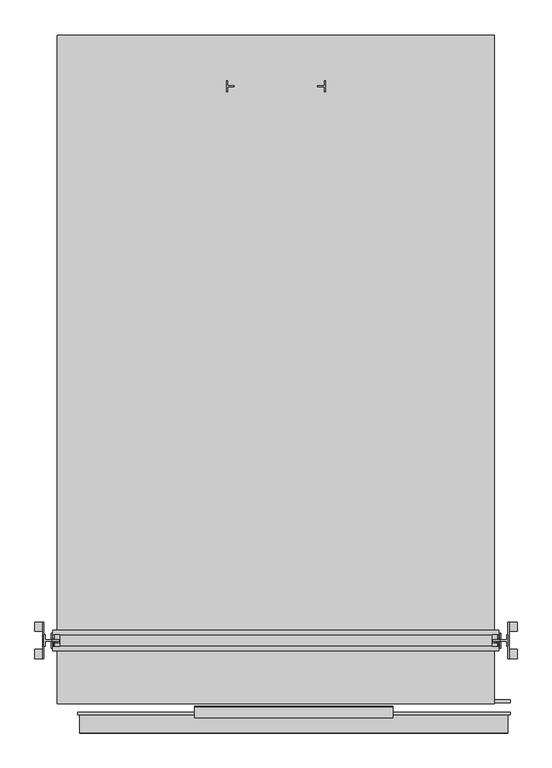
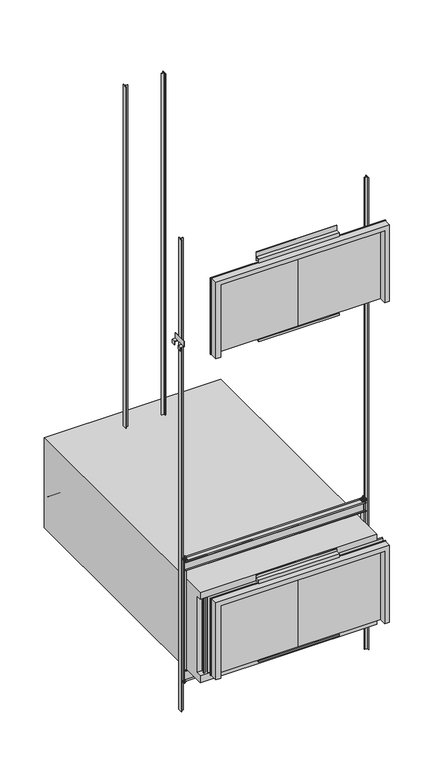
"""IFC4 building model written with IfcOpenShell, lengths in millimetres: proxy geometry."""

from ifc_helpers import new_model, si_unit, point, frame, frame_2d, origin, origin_with_axes, place, context, project, spatial, polyline, circle_curve, trimmed, segment, composite_curve, outline, extrude, faceted_brep, source, transform, mapped, element, save
from ifc_brep_helpers import plane_surface, cylinder_surface, revolved_surface, advanced_brep


def generic_models_171c9d9d(model_context):
    return source(origin(), model_context, "Body", "SolidModel", [
        extrude(outline(polyline([(1765.3, 7440.6125), (1689.1, 7440.6125), (1689.1, 7456.4875), (1765.3, 7456.4875), (1765.3, 7512.05), (1778.0, 7512.05), (1778.0, 7385.05), (1765.3, 7385.05), (1765.3, 7440.6125)])), frame((0.0, 0.0, -1400.0), z_axis=(0.0, 0.0, 1.0), x_axis=(1.0, 0.0, 0.0)), (0.0, 0.0, 1.0), 13896.8),
        extrude(outline(polyline([(673.1, 7456.4875), (749.3, 7456.4875), (749.3, 7440.6125), (673.1, 7440.6125), (673.1, 7385.05), (660.4, 7385.05), (660.4, 7512.05), (673.1, 7512.05), (673.1, 7456.4875)])), frame((0.0, 0.0, -1400.0), z_axis=(0.0, 0.0, 1.0), x_axis=(1.0, 0.0, 0.0)), (0.0, 0.0, 1.0), 13896.8),
        extrude(outline(polyline([(3822.7, 1198.5625), (3746.5, 1198.5625), (3746.5, 1214.4375), (3822.7, 1214.4375), (3822.7, 1270.0), (3835.4, 1270.0), (3835.4, 1143.0), (3822.7, 1143.0), (3822.7, 1198.5625)])), frame((0.0, 0.0, -1400.0), z_axis=(0.0, 0.0, 1.0), x_axis=(1.0, 0.0, 0.0)), (0.0, 0.0, 1.0), 13896.8),
        extrude(outline(polyline([(-1384.3, 1214.4375), (-1308.1, 1214.4375), (-1308.1, 1198.5625), (-1384.3, 1198.5625), (-1384.3, 1143.0), (-1397.0, 1143.0), (-1397.0, 1270.0), (-1384.3, 1270.0), (-1384.3, 1214.4375)])), frame((0.0, 0.0, -1400.0), z_axis=(0.0, 0.0, 1.0), x_axis=(1.0, 0.0, 0.0)), (0.0, 0.0, 1.0), 13896.8),
        extrude(outline(polyline([(9436.1, -1397.0), (9448.8, -1397.0), (9448.8, -1498.6), (9347.2, -1498.6), (9347.2, -1485.9), (9436.1, -1485.9), (9436.1, -1397.0)])), frame((0.0, 1308.1, 0.0), z_axis=(0.0, 1.0, 0.0), x_axis=(0.0, 0.0, 1.0)), (0.0, 0.0, 1.0), 101.6),
        extrude(outline(polyline([(9436.1, -1397.0), (9448.8, -1397.0), (9448.8, -1498.6), (9347.2, -1498.6), (9347.2, -1485.9), (9436.1, -1485.9), (9436.1, -1397.0)])), frame((0.0, 1003.3, 0.0), z_axis=(0.0, 1.0, 0.0), x_axis=(0.0, 0.0, 1.0)), (0.0, 0.0, 1.0), 101.6),
        extrude(outline(polyline([(-1409.7, 1003.3), (-1409.7, 1409.7), (-1397.0, 1409.7), (-1397.0, 1003.3), (-1409.7, 1003.3)])), frame((0.0, 0.0, 9448.8), z_axis=(0.0, 0.0, 1.0), x_axis=(1.0, 0.0, 0.0)), (0.0, 0.0, 1.0), 152.4),
        extrude(outline(polyline([(3657.6, 1270.0), (3733.8, 1270.0), (3733.8, 1143.0), (3657.6, 1143.0), (3657.6, 1270.0)])), frame((0.0, 0.0, -520.7), z_axis=(0.0, 0.0, 1.0), x_axis=(1.0, 0.0, 0.0)), (0.0, 0.0, 1.0), 12.7),
        extrude(outline(composite_curve([segment(polyline([(-573.0518133, 3714.6548354), (-520.7, 3721.1), (-520.7, 3657.6), (-577.915427, 3691.089512)]), True, "CONTINUOUS"), segment(trimmed(circle_curve(frame_2d((-571.5, 3702.05)), 12.7), [point((-577.915427, 3691.089512))], [point((-573.0518133, 3714.6548354))], False, "CARTESIAN"), True, "CONTINUOUS")], self_intersect=False), holes=[composite_curve([segment(trimmed(circle_curve(frame_2d((-571.5, 3702.05)), 4.7625), [point((-571.5, 3706.8125))], [point((-571.5, 3697.2875))], True, "CARTESIAN"), True, "CONTINUOUS"), segment(trimmed(circle_curve(frame_2d((-571.5, 3702.05)), 4.7625), [point((-571.5, 3697.2875))], [point((-571.5, 3706.8125))], True, "CARTESIAN"), True, "CONTINUOUS")], self_intersect=False)]), frame((0.0, 1181.1, 0.0), z_axis=(0.0, 1.0, 0.0), x_axis=(0.0, 0.0, 1.0)), (0.0, 0.0, 1.0), 12.7),
        extrude(outline(composite_curve([segment(trimmed(circle_curve(frame_2d((-571.5, 3702.05)), 38.1), [point((-571.5, 3740.15))], [point((-571.5, 3663.95))], False, "CARTESIAN"), True, "CONTINUOUS"), segment(trimmed(circle_curve(frame_2d((-571.5, 3702.05)), 38.1), [point((-571.5, 3663.95))], [point((-571.5, 3740.15))], False, "CARTESIAN"), True, "CONTINUOUS")], self_intersect=False), holes=[composite_curve([segment(trimmed(circle_curve(frame_2d((-571.5, 3702.05)), 4.7625), [point((-571.5, 3706.8125))], [point((-571.5, 3697.2875))], True, "CARTESIAN"), True, "CONTINUOUS"), segment(trimmed(circle_curve(frame_2d((-571.5, 3702.05)), 4.7625), [point((-571.5, 3697.2875))], [point((-571.5, 3706.8125))], True, "CARTESIAN"), True, "CONTINUOUS")], self_intersect=False)]), frame((0.0, 1200.15, 0.0), z_axis=(0.0, 1.0, 0.0), x_axis=(0.0, 0.0, 1.0)), (0.0, 0.0, 1.0), 12.7),
        extrude(outline(composite_curve([segment(trimmed(circle_curve(frame_2d((1252.5375, -558.8)), 38.1), [point((1290.6375, -558.8))], [point((1214.4375, -558.8))], False, "CARTESIAN"), True, "CONTINUOUS"), segment(trimmed(circle_curve(frame_2d((1252.5375, -558.8)), 38.1), [point((1214.4375, -558.8))], [point((1290.6375, -558.8))], False, "CARTESIAN"), True, "CONTINUOUS")], self_intersect=False), holes=[composite_curve([segment(trimmed(circle_curve(frame_2d((1252.5375, -557.8456477)), 4.7625), [point((1257.3, -557.8456477))], [point((1247.775, -557.8456477))], True, "CARTESIAN"), True, "CONTINUOUS"), segment(trimmed(circle_curve(frame_2d((1252.5375, -557.8456477)), 4.7625), [point((1247.775, -557.8456477))], [point((1257.3, -557.8456477))], True, "CARTESIAN"), True, "CONTINUOUS")], self_intersect=False)]), frame((3740.15, 0.0, 0.0), z_axis=(1.0, 0.0, 0.0), x_axis=(0.0, 1.0, 0.0)), (0.0, 0.0, 1.0), 12.7),
        extrude(outline(composite_curve([segment(trimmed(circle_curve(frame_2d((1160.4625, -558.8)), 38.1), [point((1122.3625, -558.8))], [point((1198.5625, -558.8))], False, "CARTESIAN"), True, "CONTINUOUS"), segment(trimmed(circle_curve(frame_2d((1160.4625, -558.8)), 38.1), [point((1198.5625, -558.8))], [point((1122.3625, -558.8))], False, "CARTESIAN"), True, "CONTINUOUS")], self_intersect=False), holes=[composite_curve([segment(trimmed(circle_curve(frame_2d((1160.4625, -557.8456477)), 4.7625), [point((1165.225, -557.8456477))], [point((1155.7, -557.8456477))], True, "CARTESIAN"), True, "CONTINUOUS"), segment(trimmed(circle_curve(frame_2d((1160.4625, -557.8456477)), 4.7625), [point((1155.7, -557.8456477))], [point((1165.225, -557.8456477))], True, "CARTESIAN"), True, "CONTINUOUS")], self_intersect=False)]), frame((3740.15, 0.0, 0.0), z_axis=(1.0, 0.0, 0.0), x_axis=(0.0, 1.0, 0.0)), (0.0, 0.0, 1.0), 12.7),
        extrude(outline(composite_curve([segment(polyline([(1143.0, -520.7), (1270.0, -520.7), (1265.1386079, -559.4274439)]), True, "CONTINUOUS"), segment(trimmed(circle_curve(frame_2d((1252.5375, -557.8456477)), 12.7), [point((1265.1386079, -559.4274439))], [point((1239.9363921, -559.4274439))], False, "CARTESIAN"), True, "CONTINUOUS"), segment(polyline([(1239.9363921, -559.4274439), (1236.66921, -533.4), (1176.33079, -533.4), (1173.0636079, -559.4274439)]), True, "CONTINUOUS"), segment(trimmed(circle_curve(frame_2d((1160.4625, -557.8456477)), 12.7), [point((1173.0636079, -559.4274439))], [point((1147.8613921, -559.4274439))], False, "CARTESIAN"), True, "CONTINUOUS"), segment(polyline([(1147.8613921, -559.4274439), (1143.0, -520.7)]), True, "CONTINUOUS")], self_intersect=False), holes=[composite_curve([segment(trimmed(circle_curve(frame_2d((1252.5375, -557.8456477)), 4.7625), [point((1257.3, -557.8456477))], [point((1247.775, -557.8456477))], True, "CARTESIAN"), True, "CONTINUOUS"), segment(trimmed(circle_curve(frame_2d((1252.5375, -557.8456477)), 4.7625), [point((1247.775, -557.8456477))], [point((1257.3, -557.8456477))], True, "CARTESIAN"), True, "CONTINUOUS")], self_intersect=False), composite_curve([segment(trimmed(circle_curve(frame_2d((1160.4625, -557.8456477)), 4.7625), [point((1165.225, -557.8456477))], [point((1155.7, -557.8456477))], True, "CARTESIAN"), True, "CONTINUOUS"), segment(trimmed(circle_curve(frame_2d((1160.4625, -557.8456477)), 4.7625), [point((1155.7, -557.8456477))], [point((1165.225, -557.8456477))], True, "CARTESIAN"), True, "CONTINUOUS")], self_intersect=False)]), frame((3721.1, 0.0, 0.0), z_axis=(1.0, 0.0, 0.0), x_axis=(0.0, 1.0, 0.0)), (0.0, 0.0, 1.0), 12.7),
        extrude(outline(polyline([(-1219.2, 1270.0), (-1219.2, 1143.0), (-1295.4, 1143.0), (-1295.4, 1270.0), (-1219.2, 1270.0)])), frame((0.0, 0.0, -520.7), z_axis=(0.0, 0.0, 1.0), x_axis=(1.0, 0.0, 0.0)), (0.0, 0.0, 1.0), 12.7),
        extrude(outline(composite_curve([segment(trimmed(circle_curve(frame_2d((-571.5, -1263.65)), 12.7), [point((-573.0518133, -1276.2548354))], [point((-577.915427, -1252.689512))], False, "CARTESIAN"), True, "CONTINUOUS"), segment(polyline([(-577.915427, -1252.689512), (-520.7, -1219.2), (-520.7, -1282.7), (-573.0518133, -1276.2548354)]), True, "CONTINUOUS")], self_intersect=False), holes=[composite_curve([segment(trimmed(circle_curve(frame_2d((-571.5, -1263.65)), 4.7625), [point((-571.5, -1268.4125))], [point((-571.5, -1258.8875))], True, "CARTESIAN"), True, "CONTINUOUS"), segment(trimmed(circle_curve(frame_2d((-571.5, -1263.65)), 4.7625), [point((-571.5, -1258.8875))], [point((-571.5, -1268.4125))], True, "CARTESIAN"), True, "CONTINUOUS")], self_intersect=False)]), frame((0.0, 1181.1, 0.0), z_axis=(0.0, 1.0, 0.0), x_axis=(0.0, 0.0, 1.0)), (0.0, 0.0, 1.0), 12.7),
        extrude(outline(composite_curve([segment(trimmed(circle_curve(frame_2d((-571.5, -1263.65)), 38.1), [point((-571.5, -1301.75))], [point((-571.5, -1225.55))], False, "CARTESIAN"), True, "CONTINUOUS"), segment(trimmed(circle_curve(frame_2d((-571.5, -1263.65)), 38.1), [point((-571.5, -1225.55))], [point((-571.5, -1301.75))], False, "CARTESIAN"), True, "CONTINUOUS")], self_intersect=False), holes=[composite_curve([segment(trimmed(circle_curve(frame_2d((-571.5, -1263.65)), 4.7625), [point((-571.5, -1268.4125))], [point((-571.5, -1258.8875))], True, "CARTESIAN"), True, "CONTINUOUS"), segment(trimmed(circle_curve(frame_2d((-571.5, -1263.65)), 4.7625), [point((-571.5, -1258.8875))], [point((-571.5, -1268.4125))], True, "CARTESIAN"), True, "CONTINUOUS")], self_intersect=False)]), frame((0.0, 1200.15, 0.0), z_axis=(0.0, 1.0, 0.0), x_axis=(0.0, 0.0, 1.0)), (0.0, 0.0, 1.0), 12.7),
        extrude(outline(composite_curve([segment(trimmed(circle_curve(frame_2d((1252.5375, -558.8)), 38.1), [point((1290.6375, -558.8))], [point((1214.4375, -558.8))], False, "CARTESIAN"), True, "CONTINUOUS"), segment(trimmed(circle_curve(frame_2d((1252.5375, -558.8)), 38.1), [point((1214.4375, -558.8))], [point((1290.6375, -558.8))], False, "CARTESIAN"), True, "CONTINUOUS")], self_intersect=False), holes=[composite_curve([segment(trimmed(circle_curve(frame_2d((1252.5375, -557.8456477)), 4.7625), [point((1247.775, -557.8456477))], [point((1257.3, -557.8456477))], True, "CARTESIAN"), True, "CONTINUOUS"), segment(trimmed(circle_curve(frame_2d((1252.5375, -557.8456477)), 4.7625), [point((1257.3, -557.8456477))], [point((1247.775, -557.8456477))], True, "CARTESIAN"), True, "CONTINUOUS")], self_intersect=False)]), frame((-1314.45, 0.0, 0.0), z_axis=(1.0, 0.0, 0.0), x_axis=(0.0, 1.0, 0.0)), (0.0, 0.0, 1.0), 12.7),
        extrude(outline(composite_curve([segment(trimmed(circle_curve(frame_2d((1160.4625, -558.8)), 38.1), [point((1122.3625, -558.8))], [point((1198.5625, -558.8))], False, "CARTESIAN"), True, "CONTINUOUS"), segment(trimmed(circle_curve(frame_2d((1160.4625, -558.8)), 38.1), [point((1198.5625, -558.8))], [point((1122.3625, -558.8))], False, "CARTESIAN"), True, "CONTINUOUS")], self_intersect=False), holes=[composite_curve([segment(trimmed(circle_curve(frame_2d((1160.4625, -557.8456477)), 4.7625), [point((1155.7, -557.8456477))], [point((1165.225, -557.8456477))], True, "CARTESIAN"), True, "CONTINUOUS"), segment(trimmed(circle_curve(frame_2d((1160.4625, -557.8456477)), 4.7625), [point((1165.225, -557.8456477))], [point((1155.7, -557.8456477))], True, "CARTESIAN"), True, "CONTINUOUS")], self_intersect=False)]), frame((-1314.45, 0.0, 0.0), z_axis=(1.0, 0.0, 0.0), x_axis=(0.0, 1.0, 0.0)), (0.0, 0.0, 1.0), 12.7),
        extrude(outline(composite_curve([segment(polyline([(1143.0, -520.7), (1270.0, -520.7), (1265.1386079, -559.4274439)]), True, "CONTINUOUS"), segment(trimmed(circle_curve(frame_2d((1252.5375, -557.8456477)), 12.7), [point((1265.1386079, -559.4274439))], [point((1239.9363921, -559.4274439))], False, "CARTESIAN"), True, "CONTINUOUS"), segment(polyline([(1239.9363921, -559.4274439), (1236.66921, -533.4), (1176.33079, -533.4), (1173.0636079, -559.4274439)]), True, "CONTINUOUS"), segment(trimmed(circle_curve(frame_2d((1160.4625, -557.8456477)), 12.7), [point((1173.0636079, -559.4274439))], [point((1147.8613921, -559.4274439))], False, "CARTESIAN"), True, "CONTINUOUS"), segment(polyline([(1147.8613921, -559.4274439), (1143.0, -520.7)]), True, "CONTINUOUS")], self_intersect=False), holes=[composite_curve([segment(trimmed(circle_curve(frame_2d((1252.5375, -557.8456477)), 4.7625), [point((1247.775, -557.8456477))], [point((1257.3, -557.8456477))], True, "CARTESIAN"), True, "CONTINUOUS"), segment(trimmed(circle_curve(frame_2d((1252.5375, -557.8456477)), 4.7625), [point((1257.3, -557.8456477))], [point((1247.775, -557.8456477))], True, "CARTESIAN"), True, "CONTINUOUS")], self_intersect=False), composite_curve([segment(trimmed(circle_curve(frame_2d((1160.4625, -557.8456477)), 4.7625), [point((1155.7, -557.8456477))], [point((1165.225, -557.8456477))], True, "CARTESIAN"), True, "CONTINUOUS"), segment(trimmed(circle_curve(frame_2d((1160.4625, -557.8456477)), 4.7625), [point((1165.225, -557.8456477))], [point((1155.7, -557.8456477))], True, "CARTESIAN"), True, "CONTINUOUS")], self_intersect=False)]), frame((-1295.4, 0.0, 0.0), z_axis=(1.0, 0.0, 0.0), x_axis=(0.0, 1.0, 0.0)), (0.0, 0.0, 1.0), 12.7),
        extrude(outline(composite_curve([segment(trimmed(circle_curve(frame_2d((1252.5375, 3048.0)), 38.1), [point((1290.6375, 3048.0))], [point((1214.4375, 3048.0))], False, "CARTESIAN"), True, "CONTINUOUS"), segment(trimmed(circle_curve(frame_2d((1252.5375, 3048.0)), 38.1), [point((1214.4375, 3048.0))], [point((1290.6375, 3048.0))], False, "CARTESIAN"), True, "CONTINUOUS")], self_intersect=False), holes=[composite_curve([segment(trimmed(circle_curve(frame_2d((1252.5375, 3047.0456477)), 4.7625), [point((1247.775, 3047.0456477))], [point((1257.3, 3047.0456477))], True, "CARTESIAN"), True, "CONTINUOUS"), segment(trimmed(circle_curve(frame_2d((1252.5375, 3047.0456477)), 4.7625), [point((1257.3, 3047.0456477))], [point((1247.775, 3047.0456477))], True, "CARTESIAN"), True, "CONTINUOUS")], self_intersect=False)]), frame((3740.15, 0.0, 0.0), z_axis=(1.0, 0.0, 0.0), x_axis=(0.0, 1.0, 0.0)), (0.0, 0.0, 1.0), 12.7),
        extrude(outline(composite_curve([segment(trimmed(circle_curve(frame_2d((1160.4625, 3048.0)), 38.1), [point((1122.3625, 3048.0))], [point((1198.5625, 3048.0))], False, "CARTESIAN"), True, "CONTINUOUS"), segment(trimmed(circle_curve(frame_2d((1160.4625, 3048.0)), 38.1), [point((1198.5625, 3048.0))], [point((1122.3625, 3048.0))], False, "CARTESIAN"), True, "CONTINUOUS")], self_intersect=False), holes=[composite_curve([segment(trimmed(circle_curve(frame_2d((1160.4625, 3047.0456477)), 4.7625), [point((1155.7, 3047.0456477))], [point((1165.225, 3047.0456477))], True, "CARTESIAN"), True, "CONTINUOUS"), segment(trimmed(circle_curve(frame_2d((1160.4625, 3047.0456477)), 4.7625), [point((1165.225, 3047.0456477))], [point((1155.7, 3047.0456477))], True, "CARTESIAN"), True, "CONTINUOUS")], self_intersect=False)]), frame((3740.15, 0.0, 0.0), z_axis=(1.0, 0.0, 0.0), x_axis=(0.0, 1.0, 0.0)), (0.0, 0.0, 1.0), 12.7),
        extrude(outline(composite_curve([segment(trimmed(circle_curve(frame_2d((3060.7, 3702.05)), 38.1), [point((3060.7, 3740.15))], [point((3060.7, 3663.95))], False, "CARTESIAN"), True, "CONTINUOUS"), segment(trimmed(circle_curve(frame_2d((3060.7, 3702.05)), 38.1), [point((3060.7, 3663.95))], [point((3060.7, 3740.15))], False, "CARTESIAN"), True, "CONTINUOUS")], self_intersect=False), holes=[composite_curve([segment(trimmed(circle_curve(frame_2d((3060.7, 3702.05)), 4.7625), [point((3060.7, 3697.2875))], [point((3060.7, 3706.8125))], True, "CARTESIAN"), True, "CONTINUOUS"), segment(trimmed(circle_curve(frame_2d((3060.7, 3702.05)), 4.7625), [point((3060.7, 3706.8125))], [point((3060.7, 3697.2875))], True, "CARTESIAN"), True, "CONTINUOUS")], self_intersect=False)]), frame((0.0, 1200.15, 0.0), z_axis=(0.0, 1.0, 0.0), x_axis=(0.0, 0.0, 1.0)), (0.0, 0.0, 1.0), 12.7),
        advanced_brep(
        [(3733.8, 1257.3, 3047.0456477), (3733.8, 1247.775, 3047.0456477), (3721.1, 1247.775, 3047.0456477), (3721.1, 1257.3, 3047.0456477), (3733.8, 1165.225, 3047.0456477), (3733.8, 1155.7, 3047.0456477), (3721.1, 1155.7, 3047.0456477), (3721.1, 1165.225, 3047.0456477), (3706.8125, 1193.8, 3060.7), (3697.2875, 1193.8, 3060.7), (3697.2875, 1181.1, 3060.7), (3706.8125, 1181.1, 3060.7), (3721.1, 1270.0, 3009.9), (3721.1, 1193.8, 3009.9), (3721.1, 1181.1, 3009.9), (3721.1, 1143.0, 3009.9), (3721.1, 1147.8613921, 3048.6274439), (3721.1, 1173.0636079, 3048.6274439), (3721.1, 1176.33079, 3022.6), (3721.1, 1236.66921, 3022.6), (3721.1, 1239.9363921, 3048.6274439), (3721.1, 1265.1386079, 3048.6274439), (3733.8, 1143.0, 3009.9), (3733.8, 1143.0, 2997.2), (3733.8, 1270.0, 2997.2), (3733.8, 1270.0, 3009.9), (3733.8, 1265.1386079, 3048.6274439), (3733.8, 1239.9363921, 3048.6274439), (3733.8, 1236.66921, 3022.6), (3733.8, 1176.33079, 3022.6), (3733.8, 1173.0636079, 3048.6274439), (3733.8, 1147.8613921, 3048.6274439), (3657.6, 1181.1, 3009.9), (3657.6, 1143.0, 3009.9), (3657.6, 1270.0, 3009.9), (3657.6, 1193.8, 3009.9), (3657.6, 1270.0, 2997.2), (3657.6, 1143.0, 2997.2), (3714.6548354, 1181.1, 3062.2518133), (3691.089512, 1181.1, 3067.115427), (3714.6548354, 1193.8, 3062.2518133), (3691.089512, 1193.8, 3067.115427)],
        [
            (0, 1, circle_curve(frame((3733.8, 1252.5375, 3047.0456477), z_axis=(1.0, 0.0, 0.0), x_axis=(0.0, -1.0, 0.0)), 4.7625)),
            (1, 2),
            (2, 3, circle_curve(frame((3721.1, 1252.5375, 3047.0456477), z_axis=(-1.0, 0.0, 0.0), x_axis=(0.0, -1.0, 0.0)), 4.7625)),
            (3, 0),
            (3, 2, circle_curve(frame((3721.1, 1252.5375, 3047.0456477), z_axis=(-1.0, 0.0, 0.0), x_axis=(0.0, -1.0, 0.0)), 4.7625)),
            (1, 0, circle_curve(frame((3733.8, 1252.5375, 3047.0456477), z_axis=(1.0, 0.0, 0.0), x_axis=(0.0, -1.0, 0.0)), 4.7625)),
            (4, 5, circle_curve(frame((3733.8, 1160.4625, 3047.0456477), z_axis=(1.0, 0.0, 0.0), x_axis=(0.0, -1.0, 0.0)), 4.7625)),
            (5, 6),
            (6, 7, circle_curve(frame((3721.1, 1160.4625, 3047.0456477), z_axis=(-1.0, 0.0, 0.0), x_axis=(0.0, -1.0, 0.0)), 4.7625)),
            (7, 4),
            (7, 6, circle_curve(frame((3721.1, 1160.4625, 3047.0456477), z_axis=(-1.0, 0.0, 0.0), x_axis=(0.0, -1.0, 0.0)), 4.7625)),
            (5, 4, circle_curve(frame((3733.8, 1160.4625, 3047.0456477), z_axis=(1.0, 0.0, 0.0), x_axis=(0.0, -1.0, 0.0)), 4.7625)),
            (8, 9, circle_curve(frame((3702.05, 1193.8, 3060.7), z_axis=(0.0, 1.0, 0.0), x_axis=(-1.0, 0.0, 0.0)), 4.7625)),
            (9, 10),
            (10, 11, circle_curve(frame((3702.05, 1181.1, 3060.7), z_axis=(0.0, -1.0, 0.0), x_axis=(-1.0, 0.0, 0.0)), 4.7625)),
            (11, 8),
            (11, 10, circle_curve(frame((3702.05, 1181.1, 3060.7), z_axis=(0.0, -1.0, 0.0), x_axis=(-1.0, 0.0, 0.0)), 4.7625)),
            (9, 8, circle_curve(frame((3702.05, 1193.8, 3060.7), z_axis=(0.0, 1.0, 0.0), x_axis=(-1.0, 0.0, 0.0)), 4.7625)),
            (12, 13),
            (13, 14),
            (14, 15),
            (15, 16),
            (16, 17, circle_curve(frame((3721.1, 1160.4625, 3047.0456477), z_axis=(-1.0, 0.0, 0.0), x_axis=(0.0, -1.0, 0.0)), 12.7)),
            (17, 18),
            (18, 19),
            (19, 20),
            (20, 21, circle_curve(frame((3721.1, 1252.5375, 3047.0456477), z_axis=(-1.0, 0.0, 0.0), x_axis=(0.0, 1.0, 0.0)), 12.7)),
            (21, 12),
            (22, 23),
            (23, 24),
            (24, 25),
            (25, 26),
            (26, 27, circle_curve(frame((3733.8, 1252.5375, 3047.0456477), z_axis=(1.0, 0.0, 0.0), x_axis=(0.0, 1.0, 0.0)), 12.7)),
            (27, 28),
            (28, 29),
            (29, 30),
            (30, 31, circle_curve(frame((3733.8, 1160.4625, 3047.0456477), z_axis=(1.0, 0.0, 0.0), x_axis=(0.0, -1.0, 0.0)), 12.7)),
            (31, 22),
            (21, 26),
            (25, 12),
            (18, 29),
            (28, 19),
            (15, 22),
            (31, 16),
            (20, 27),
            (17, 30),
            (14, 32),
            (32, 33),
            (33, 15),
            (34, 35),
            (35, 13),
            (12, 34),
            (36, 24),
            (23, 37),
            (37, 36),
            (36, 34),
            (33, 37),
            (32, 35),
            (38, 39, circle_curve(frame((3702.05, 1181.1, 3060.7), z_axis=(0.0, -1.0, 0.0), x_axis=(1.0, 0.0, 0.0)), 12.7)),
            (39, 32),
            (14, 38),
            (40, 13),
            (35, 41),
            (41, 40, circle_curve(frame((3702.05, 1193.8, 3060.7), z_axis=(0.0, 1.0, 0.0), x_axis=(1.0, 0.0, 0.0)), 12.7)),
            (40, 38),
            (39, 41),
        ],
        [
            revolved_surface(polyline([(3721.1, 1247.7749999999999, 3047.0456477), (3733.8, 1247.7749999999999, 3047.0456477)]), (3752.85, 1252.5375, 3047.0456477), (-1.0, 0.0, 0.0)),
            revolved_surface(polyline([(3721.1, 1155.7, 3047.0456477), (3733.8, 1155.7, 3047.0456477)]), (3733.8, 1160.4625, 3047.0456477), (-1.0, 0.0, 0.0)),
            revolved_surface(polyline([(3697.2875000000004, 1181.1, 3060.7), (3697.2875000000004, 1193.8, 3060.7)]), (3702.05, 1212.85, 3060.7), (0.0, -1.0, 0.0)),
            plane_surface(frame((3721.1, 1270.0, 3009.9), z_axis=(-1.0, 0.0, 0.0), x_axis=(0.0, 1.0, 0.0))),
            plane_surface(frame((3733.8, 1270.0, 3009.9), z_axis=(1.0, 0.0, 0.0), x_axis=(0.0, -1.0, 0.0))),
            plane_surface(frame((3721.1, 1270.0, 3009.9), z_axis=(0.0, 0.9922132212742089, 0.12455088730578365), x_axis=(1.0, 0.0, 0.0))),
            plane_surface(frame((3721.1, 1236.66921, 3022.6), z_axis=(0.0, 0.0, 1.0), x_axis=(1.0, 0.0, 0.0))),
            plane_surface(frame((3721.1, 1147.8613921, 3048.6274439), z_axis=(0.0, -0.9922132212740489, 0.12455088730705759), x_axis=(1.0, 0.0, 0.0))),
            cylinder_surface(frame((3733.8, 1252.5375, 3047.0456477), z_axis=(-1.0, 0.0, 0.0), x_axis=(0.0, 1.0, 0.0)), 12.7),
            plane_surface(frame((3721.1, 1239.9363921, 3048.6274439), z_axis=(0.0, -0.9922132212740489, 0.12455088730705786), x_axis=(1.0, 0.0, 0.0))),
            plane_surface(frame((3721.1, 1176.33079, 3022.6), z_axis=(0.0, 0.9922132212740489, 0.12455088730705788), x_axis=(1.0, 0.0, 0.0))),
            cylinder_surface(frame((3733.8, 1160.4625, 3047.0456477), z_axis=(-1.0, 0.0, 0.0), x_axis=(0.0, -1.0, 0.0)), 12.7),
            plane_surface(frame((3733.8, 1270.0, 3009.9), z_axis=(0.0, 0.0, 1.0), x_axis=(1.0, 0.0, 0.0))),
            plane_surface(frame((3733.8, 1270.0, 2997.2), z_axis=(0.0, 0.0, -1.0), x_axis=(-1.0, 0.0, 0.0))),
            plane_surface(frame((3657.6, 1270.0, 3009.9), z_axis=(0.0, 1.0, 0.0), x_axis=(0.0, 0.0, -1.0))),
            plane_surface(frame((3733.8, 1143.0, 3009.9), z_axis=(0.0, -1.0, 0.0), x_axis=(0.0, 0.0, -1.0))),
            plane_surface(frame((3657.6, 1143.0, 3009.9), z_axis=(-1.0, 0.0, 0.0), x_axis=(0.0, 0.0, -1.0))),
            plane_surface(frame((3721.1, 1181.1, 3009.9), z_axis=(0.0, -1.0000000000000002, 0.0), x_axis=(0.12219002176389264, 0.0, -0.992506724703334))),
            plane_surface(frame((3721.1, 1193.8, 3009.9), z_axis=(0.0, 1.0000000000000002, 0.0), x_axis=(-0.12219002176389264, 0.0, 0.992506724703334))),
            plane_surface(frame((3714.6548354, 1181.1, 3062.2518133), z_axis=(0.992506724703334, 0.0, 0.12219002176389264), x_axis=(0.0, 1.0, 0.0))),
            plane_surface(frame((3657.6, 1181.1, 3009.9), z_axis=(-0.8630305493032288, 0.0, 0.5051517306407725), x_axis=(0.0, 1.0, 0.0))),
            cylinder_surface(frame((3702.05, 1193.8, 3060.7), z_axis=(0.0, -1.0, 0.0), x_axis=(1.0, 0.0, 0.0)), 12.7),
        ],
        [
            (0, [[1, 2, 3, 4]]),
            (0, [[5, -2, 6, -4]]),
            (1, [[7, 8, 9, 10]]),
            (1, [[11, -8, 12, -10]]),
            (2, [[13, 14, 15, 16]]),
            (2, [[17, -14, 18, -16]]),
            (3, [[19, 20, 21, 22, 23, 24, 25, 26, 27, 28], [-5, -3], [-11, -9]]),
            (4, [[29, 30, 31, 32, 33, 34, 35, 36, 37, 38], [-6, -1], [-12, -7]]),
            (5, [[39, -32, 40, -28]]),
            (6, [[41, -35, 42, -25]]),
            (7, [[43, -38, 44, -22]]),
            (8, [[45, -33, -39, -27]]),
            (9, [[-42, -34, -45, -26]]),
            (10, [[46, -36, -41, -24]]),
            (11, [[-44, -37, -46, -23]]),
            (12, [[-21, 47, 48, 49]]),
            (12, [[50, 51, -19, 52]]),
            (13, [[53, -30, 54, 55]]),
            (14, [[56, -52, -40, -31, -53]]),
            (15, [[-29, -43, -49, 57, -54]]),
            (16, [[-57, -48, 58, -50, -56, -55]]),
            (17, [[59, 60, -47, 61], [-17, -15]]),
            (18, [[62, -51, 63, 64], [-18, -13]]),
            (19, [[-20, -62, 65, -61]]),
            (20, [[66, -63, -58, -60]]),
            (21, [[-65, -64, -66, -59]]),
        ],
    ),
        extrude(outline(composite_curve([segment(trimmed(circle_curve(frame_2d((1252.5375, 3048.0)), 38.1), [point((1290.6375, 3048.0))], [point((1214.4375, 3048.0))], False, "CARTESIAN"), True, "CONTINUOUS"), segment(trimmed(circle_curve(frame_2d((1252.5375, 3048.0)), 38.1), [point((1214.4375, 3048.0))], [point((1290.6375, 3048.0))], False, "CARTESIAN"), True, "CONTINUOUS")], self_intersect=False), holes=[composite_curve([segment(trimmed(circle_curve(frame_2d((1252.5375, 3047.0456477)), 4.7625), [point((1257.3, 3047.0456477))], [point((1247.775, 3047.0456477))], True, "CARTESIAN"), True, "CONTINUOUS"), segment(trimmed(circle_curve(frame_2d((1252.5375, 3047.0456477)), 4.7625), [point((1247.775, 3047.0456477))], [point((1257.3, 3047.0456477))], True, "CARTESIAN"), True, "CONTINUOUS")], self_intersect=False)]), frame((-1314.45, 0.0, 0.0), z_axis=(1.0, 0.0, 0.0), x_axis=(0.0, 1.0, 0.0)), (0.0, 0.0, 1.0), 12.7),
        extrude(outline(composite_curve([segment(trimmed(circle_curve(frame_2d((1160.4625, 3048.0)), 38.1), [point((1122.3625, 3048.0))], [point((1198.5625, 3048.0))], False, "CARTESIAN"), True, "CONTINUOUS"), segment(trimmed(circle_curve(frame_2d((1160.4625, 3048.0)), 38.1), [point((1198.5625, 3048.0))], [point((1122.3625, 3048.0))], False, "CARTESIAN"), True, "CONTINUOUS")], self_intersect=False), holes=[composite_curve([segment(trimmed(circle_curve(frame_2d((1160.4625, 3047.0456477)), 4.7625), [point((1165.225, 3047.0456477))], [point((1155.7, 3047.0456477))], True, "CARTESIAN"), True, "CONTINUOUS"), segment(trimmed(circle_curve(frame_2d((1160.4625, 3047.0456477)), 4.7625), [point((1155.7, 3047.0456477))], [point((1165.225, 3047.0456477))], True, "CARTESIAN"), True, "CONTINUOUS")], self_intersect=False)]), frame((-1314.45, 0.0, 0.0), z_axis=(1.0, 0.0, 0.0), x_axis=(0.0, 1.0, 0.0)), (0.0, 0.0, 1.0), 12.7),
        extrude(outline(composite_curve([segment(trimmed(circle_curve(frame_2d((3060.7, -1263.65)), 38.1), [point((3060.7, -1301.75))], [point((3060.7, -1225.55))], False, "CARTESIAN"), True, "CONTINUOUS"), segment(trimmed(circle_curve(frame_2d((3060.7, -1263.65)), 38.1), [point((3060.7, -1225.55))], [point((3060.7, -1301.75))], False, "CARTESIAN"), True, "CONTINUOUS")], self_intersect=False), holes=[composite_curve([segment(trimmed(circle_curve(frame_2d((3060.7, -1263.65)), 4.7625), [point((3060.7, -1258.8875))], [point((3060.7, -1268.4125))], True, "CARTESIAN"), True, "CONTINUOUS"), segment(trimmed(circle_curve(frame_2d((3060.7, -1263.65)), 4.7625), [point((3060.7, -1268.4125))], [point((3060.7, -1258.8875))], True, "CARTESIAN"), True, "CONTINUOUS")], self_intersect=False)]), frame((0.0, 1200.15, 0.0), z_axis=(0.0, 1.0, 0.0), x_axis=(0.0, 0.0, 1.0)), (0.0, 0.0, 1.0), 12.7),
        advanced_brep(
        [(-1295.4, 1257.3, 3047.0456477), (-1282.7, 1257.3, 3047.0456477), (-1282.7, 1247.775, 3047.0456477), (-1295.4, 1247.775, 3047.0456477), (-1295.4, 1165.225, 3047.0456477), (-1282.7, 1165.225, 3047.0456477), (-1282.7, 1155.7, 3047.0456477), (-1295.4, 1155.7, 3047.0456477), (-1268.4125, 1193.8, 3060.7), (-1268.4125, 1181.1, 3060.7), (-1258.8875, 1181.1, 3060.7), (-1258.8875, 1193.8, 3060.7), (-1282.7, 1270.0, 3009.9), (-1282.7, 1265.1386079, 3048.6274439), (-1282.7, 1239.9363921, 3048.6274439), (-1282.7, 1236.66921, 3022.6), (-1282.7, 1176.33079, 3022.6), (-1282.7, 1173.0636079, 3048.6274439), (-1282.7, 1147.8613921, 3048.6274439), (-1282.7, 1143.0, 3009.9), (-1282.7, 1181.1, 3009.9), (-1282.7, 1193.8, 3009.9), (-1295.4, 1143.0, 3009.9), (-1295.4, 1147.8613921, 3048.6274439), (-1295.4, 1173.0636079, 3048.6274439), (-1295.4, 1176.33079, 3022.6), (-1295.4, 1236.66921, 3022.6), (-1295.4, 1239.9363921, 3048.6274439), (-1295.4, 1265.1386079, 3048.6274439), (-1295.4, 1270.0, 3009.9), (-1295.4, 1270.0, 2997.2), (-1295.4, 1143.0, 2997.2), (-1219.2, 1143.0, 3009.9), (-1219.2, 1181.1, 3009.9), (-1219.2, 1270.0, 3009.9), (-1219.2, 1193.8, 3009.9), (-1219.2, 1270.0, 2997.2), (-1219.2, 1143.0, 2997.2), (-1276.2548354, 1181.1, 3062.2518133), (-1252.689512, 1181.1, 3067.115427), (-1276.2548354, 1193.8, 3062.2518133), (-1252.689512, 1193.8, 3067.115427)],
        [
            (0, 1),
            (1, 2, circle_curve(frame((-1282.7, 1252.5375, 3047.0456477), z_axis=(1.0, 0.0, 0.0), x_axis=(0.0, -1.0, 0.0)), 4.7625)),
            (2, 3),
            (3, 0, circle_curve(frame((-1295.4, 1252.5375, 3047.0456477), z_axis=(-1.0, 0.0, 0.0), x_axis=(0.0, -1.0, 0.0)), 4.7625)),
            (0, 3, circle_curve(frame((-1295.4, 1252.5375, 3047.0456477), z_axis=(-1.0, 0.0, 0.0), x_axis=(0.0, -1.0, 0.0)), 4.7625)),
            (2, 1, circle_curve(frame((-1282.7, 1252.5375, 3047.0456477), z_axis=(1.0, 0.0, 0.0), x_axis=(0.0, -1.0, 0.0)), 4.7625)),
            (4, 5),
            (5, 6, circle_curve(frame((-1282.7, 1160.4625, 3047.0456477), z_axis=(1.0, 0.0, 0.0), x_axis=(0.0, -1.0, 0.0)), 4.7625)),
            (6, 7),
            (7, 4, circle_curve(frame((-1295.4, 1160.4625, 3047.0456477), z_axis=(-1.0, 0.0, 0.0), x_axis=(0.0, -1.0, 0.0)), 4.7625)),
            (4, 7, circle_curve(frame((-1295.4, 1160.4625, 3047.0456477), z_axis=(-1.0, 0.0, 0.0), x_axis=(0.0, -1.0, 0.0)), 4.7625)),
            (6, 5, circle_curve(frame((-1282.7, 1160.4625, 3047.0456477), z_axis=(1.0, 0.0, 0.0), x_axis=(0.0, -1.0, 0.0)), 4.7625)),
            (8, 9),
            (9, 10, circle_curve(frame((-1263.65, 1181.1, 3060.7), z_axis=(0.0, -1.0, 0.0), x_axis=(1.0, 0.0, 0.0)), 4.7625)),
            (10, 11),
            (11, 8, circle_curve(frame((-1263.65, 1193.8, 3060.7), z_axis=(0.0, 1.0, 0.0), x_axis=(1.0, 0.0, 0.0)), 4.7625)),
            (8, 11, circle_curve(frame((-1263.65, 1193.8, 3060.7), z_axis=(0.0, 1.0, 0.0), x_axis=(1.0, 0.0, 0.0)), 4.7625)),
            (10, 9, circle_curve(frame((-1263.65, 1181.1, 3060.7), z_axis=(0.0, -1.0, 0.0), x_axis=(1.0, 0.0, 0.0)), 4.7625)),
            (12, 13),
            (13, 14, circle_curve(frame((-1282.7, 1252.5375, 3047.0456477), z_axis=(1.0, 0.0, 0.0), x_axis=(0.0, 1.0, 0.0)), 12.7)),
            (14, 15),
            (15, 16),
            (16, 17),
            (17, 18, circle_curve(frame((-1282.7, 1160.4625, 3047.0456477), z_axis=(1.0, 0.0, 0.0), x_axis=(0.0, -1.0, 0.0)), 12.7)),
            (18, 19),
            (19, 20),
            (20, 21),
            (21, 12),
            (22, 23),
            (23, 24, circle_curve(frame((-1295.4, 1160.4625, 3047.0456477), z_axis=(-1.0, 0.0, 0.0), x_axis=(0.0, -1.0, 0.0)), 12.7)),
            (24, 25),
            (25, 26),
            (26, 27),
            (27, 28, circle_curve(frame((-1295.4, 1252.5375, 3047.0456477), z_axis=(-1.0, 0.0, 0.0), x_axis=(0.0, 1.0, 0.0)), 12.7)),
            (28, 29),
            (29, 30),
            (30, 31),
            (31, 22),
            (12, 29),
            (28, 13),
            (15, 26),
            (25, 16),
            (18, 23),
            (22, 19),
            (27, 14),
            (24, 17),
            (19, 32),
            (32, 33),
            (33, 20),
            (34, 12),
            (21, 35),
            (35, 34),
            (36, 37),
            (37, 31),
            (30, 36),
            (34, 36),
            (37, 32),
            (35, 33),
            (38, 20),
            (33, 39),
            (39, 38, circle_curve(frame((-1263.65, 1181.1, 3060.7), z_axis=(0.0, -1.0, 0.0), x_axis=(-1.0, 0.0, 0.0)), 12.7)),
            (40, 41, circle_curve(frame((-1263.65, 1193.8, 3060.7), z_axis=(0.0, 1.0, 0.0), x_axis=(-1.0, 0.0, 0.0)), 12.7)),
            (41, 35),
            (21, 40),
            (38, 40),
            (41, 39),
        ],
        [
            revolved_surface(polyline([(-1282.7, 1247.7749999999999, 3047.0456477), (-1295.4, 1247.7749999999999, 3047.0456477)]), (-1314.45, 1252.5375, 3047.0456477), (1.0, 0.0, 0.0)),
            revolved_surface(polyline([(-1282.7, 1155.7, 3047.0456477), (-1295.4, 1155.7, 3047.0456477)]), (-1295.4, 1160.4625, 3047.0456477), (1.0, 0.0, 0.0)),
            revolved_surface(polyline([(-1258.8875, 1181.1, 3060.7), (-1258.8875, 1193.8, 3060.7)]), (-1263.65, 1212.85, 3060.7), (0.0, -1.0, 0.0)),
            plane_surface(frame((-1282.7, 1270.0, 3009.9), z_axis=(1.0, 0.0, 0.0), x_axis=(0.0, 1.0, 0.0))),
            plane_surface(frame((-1295.4, 1270.0, 3009.9), z_axis=(-1.0, 0.0, 0.0), x_axis=(0.0, -1.0, 0.0))),
            plane_surface(frame((-1282.7, 1270.0, 3009.9), z_axis=(0.0, 0.9922132212742089, 0.12455088730578365), x_axis=(-1.0, 0.0, 0.0))),
            plane_surface(frame((-1282.7, 1236.66921, 3022.6), z_axis=(0.0, 0.0, 1.0), x_axis=(-1.0, 0.0, 0.0))),
            plane_surface(frame((-1282.7, 1147.8613921, 3048.6274439), z_axis=(0.0, -0.9922132212740489, 0.12455088730705759), x_axis=(-1.0, 0.0, 0.0))),
            cylinder_surface(frame((-1295.4, 1252.5375, 3047.0456477), z_axis=(1.0, 0.0, 0.0), x_axis=(0.0, 1.0, 0.0)), 12.7),
            plane_surface(frame((-1282.7, 1239.9363921, 3048.6274439), z_axis=(0.0, -0.9922132212740489, 0.12455088730705786), x_axis=(-1.0, 0.0, 0.0))),
            plane_surface(frame((-1282.7, 1176.33079, 3022.6), z_axis=(0.0, 0.9922132212740489, 0.12455088730705788), x_axis=(-1.0, 0.0, 0.0))),
            cylinder_surface(frame((-1295.4, 1160.4625, 3047.0456477), z_axis=(1.0, 0.0, 0.0), x_axis=(0.0, -1.0, 0.0)), 12.7),
            plane_surface(frame((-1295.4, 1270.0, 3009.9), z_axis=(0.0, 0.0, 1.0), x_axis=(-1.0, 0.0, 0.0))),
            plane_surface(frame((-1295.4, 1270.0, 2997.2), z_axis=(0.0, 0.0, -1.0), x_axis=(1.0, 0.0, 0.0))),
            plane_surface(frame((-1219.2, 1270.0, 3009.9), z_axis=(0.0, 1.0, 0.0), x_axis=(0.0, 0.0, -1.0))),
            plane_surface(frame((-1295.4, 1143.0, 3009.9), z_axis=(0.0, -1.0, 0.0), x_axis=(0.0, 0.0, -1.0))),
            plane_surface(frame((-1219.2, 1143.0, 3009.9), z_axis=(1.0, 0.0, 0.0), x_axis=(0.0, 0.0, -1.0))),
            plane_surface(frame((-1282.7, 1181.1, 3009.9), z_axis=(0.0, -1.0000000000000002, 0.0), x_axis=(-0.12219002176389264, 0.0, -0.992506724703334))),
            plane_surface(frame((-1282.7, 1193.8, 3009.9), z_axis=(0.0, 1.0000000000000002, 0.0), x_axis=(0.12219002176389264, 0.0, 0.992506724703334))),
            plane_surface(frame((-1276.2548354, 1181.1, 3062.2518133), z_axis=(-0.992506724703334, 0.0, 0.12219002176389264), x_axis=(0.0, 1.0, 0.0))),
            plane_surface(frame((-1219.2, 1181.1, 3009.9), z_axis=(0.8630305493032288, 0.0, 0.5051517306407725), x_axis=(0.0, 1.0, 0.0))),
            cylinder_surface(frame((-1263.65, 1193.8, 3060.7), z_axis=(0.0, -1.0, 0.0), x_axis=(-1.0, 0.0, 0.0)), 12.7),
        ],
        [
            (0, [[1, 2, 3, 4]]),
            (0, [[-1, 5, -3, 6]]),
            (1, [[7, 8, 9, 10]]),
            (1, [[-7, 11, -9, 12]]),
            (2, [[13, 14, 15, 16]]),
            (2, [[-13, 17, -15, 18]]),
            (3, [[19, 20, 21, 22, 23, 24, 25, 26, 27, 28], [-2, -6], [-8, -12]]),
            (4, [[29, 30, 31, 32, 33, 34, 35, 36, 37, 38], [-4, -5], [-10, -11]]),
            (5, [[-19, 39, -35, 40]]),
            (6, [[-22, 41, -32, 42]]),
            (7, [[-25, 43, -29, 44]]),
            (8, [[-20, -40, -34, 45]]),
            (9, [[-21, -45, -33, -41]]),
            (10, [[-23, -42, -31, 46]]),
            (11, [[-24, -46, -30, -43]]),
            (12, [[47, 48, 49, -26]]),
            (12, [[50, -28, 51, 52]]),
            (13, [[53, 54, -37, 55]]),
            (14, [[-55, -36, -39, -50, 56]]),
            (15, [[-54, 57, -47, -44, -38]]),
            (16, [[-53, -56, -52, 58, -48, -57]]),
            (17, [[59, -49, 60, 61], [-14, -18]]),
            (18, [[62, 63, -51, 64], [-16, -17]]),
            (19, [[-59, 65, -64, -27]]),
            (20, [[-60, -58, -63, 66]]),
            (21, [[-61, -66, -62, -65]]),
        ],
    ),
        extrude(outline(polyline([(9436.1, 3835.4), (9436.1, 3924.3), (9347.2, 3924.3), (9347.2, 3937.0), (9448.8, 3937.0), (9448.8, 3835.4), (9436.1, 3835.4)])), frame((0.0, 1308.1, 0.0), z_axis=(0.0, 1.0, 0.0), x_axis=(0.0, 0.0, 1.0)), (0.0, 0.0, 1.0), 101.6),
        extrude(outline(polyline([(9436.1, 3835.4), (9436.1, 3924.3), (9347.2, 3924.3), (9347.2, 3937.0), (9448.8, 3937.0), (9448.8, 3835.4), (9436.1, 3835.4)])), frame((0.0, 1003.3, 0.0), z_axis=(0.0, 1.0, 0.0), x_axis=(0.0, 0.0, 1.0)), (0.0, 0.0, 1.0), 101.6),
        extrude(outline(polyline([(3848.1, 1003.3), (3835.4, 1003.3), (3835.4, 1409.7), (3848.1, 1409.7), (3848.1, 1003.3)])), frame((0.0, 0.0, 9448.8), z_axis=(0.0, 0.0, 1.0), x_axis=(1.0, 0.0, 0.0)), (0.0, 0.0, 1.0), 152.4),
        extrude(outline(polyline([(1420.0, 400.05), (3858.4, 400.05), (3858.4, 368.3), (1420.0, 368.3), (1420.0, 400.05)])), frame((0.0, 0.0, 9448.8), z_axis=(0.0, 0.0, 1.0), x_axis=(1.0, 0.0, 0.0)), (0.0, 0.0, 1.0), 2260.6),
        extrude(outline(polyline([(1420.0, 400.05), (1420.0, 368.3), (-1018.4, 368.3), (-1018.4, 400.05), (1420.0, 400.05)])), frame((0.0, 0.0, 9448.8), z_axis=(0.0, 0.0, 1.0), x_axis=(1.0, 0.0, 0.0)), (0.0, 0.0, 1.0), 2260.6),
        extrude(outline(polyline([(9448.8, -993.0), (9448.8, -866.0), (11582.4, -866.0), (11582.4, 3706.0), (9448.8, 3706.0), (9448.8, 3833.0), (11709.4, 3833.0), (11709.4, -993.0), (9448.8, -993.0)])), frame((0.0, 165.1, 0.0), z_axis=(0.0, 1.0, 0.0), x_axis=(0.0, 0.0, 1.0)), (0.0, 0.0, 1.0), 196.85),
        extrude(outline(polyline([(2537.6, 463.55), (2537.6, 336.55), (302.4, 336.55), (302.4, 463.55), (2537.6, 463.55)])), frame((0.0, 0.0, 9398.0), z_axis=(0.0, 0.0, 1.0), x_axis=(1.0, 0.0, 0.0)), (0.0, 0.0, 1.0), 50.8),
        extrude(outline(polyline([(463.55, 11963.4), (463.55, 11709.4), (457.2, 11709.4), (457.2, 11811.0), (342.9, 11811.0), (342.9, 11709.4), (336.55, 11709.4), (336.55, 11817.35), (457.2, 11817.35), (457.2, 11963.4), (463.55, 11963.4)])), frame((302.4, 0.0, 0.0), z_axis=(1.0, 0.0, 0.0), x_axis=(0.0, 1.0, 0.0)), (0.0, 0.0, 1.0), 2235.2),
        extrude(outline(polyline([(1143.0, -203.2), (1143.0, -508.0), (1092.2, -508.0), (1092.2, -501.65), (1136.65, -495.3), (1136.65, -215.9), (1092.2, -209.55), (1092.2, -203.2), (1143.0, -203.2)])), frame((-1295.4, 0.0, 0.0), z_axis=(1.0, 0.0, 0.0), x_axis=(0.0, 1.0, 0.0)), (0.0, 0.0, 1.0), 5029.2),
        extrude(outline(polyline([(1270.0, -203.2), (1320.8, -203.2), (1320.8, -209.55), (1276.35, -215.9), (1276.35, -495.3), (1320.8, -501.65), (1320.8, -508.0), (1270.0, -508.0), (1270.0, -203.2)])), frame((-1295.4, 0.0, 0.0), z_axis=(1.0, 0.0, 0.0), x_axis=(0.0, 1.0, 0.0)), (0.0, 0.0, 1.0), 5029.2),
        extrude(outline(polyline([(1143.0, 2743.2), (1092.2, 2743.2), (1092.2, 2749.55), (1136.65, 2755.9), (1136.65, 2984.5), (1092.2, 2990.85), (1092.2, 2997.2), (1143.0, 2997.2), (1143.0, 2743.2)])), frame((-1295.4, 0.0, 0.0), z_axis=(1.0, 0.0, 0.0), x_axis=(0.0, 1.0, 0.0)), (0.0, 0.0, 1.0), 5029.2),
        extrude(outline(polyline([(1270.0, 2743.2), (1270.0, 2997.2), (1320.8, 2997.2), (1320.8, 2990.85), (1276.35, 2984.5), (1276.35, 2755.9), (1320.8, 2749.55), (1320.8, 2743.2), (1270.0, 2743.2)])), frame((-1295.4, 0.0, 0.0), z_axis=(1.0, 0.0, 0.0), x_axis=(0.0, 1.0, 0.0)), (0.0, 0.0, 1.0), 5029.2),
        extrude(outline(polyline([(-508.0, -1295.4), (-508.0, 3733.8), (2997.2, 3733.8), (2997.2, -1295.4), (-508.0, -1295.4)]), holes=[polyline([(2946.4, -1244.6), (2946.4, 3683.0), (-457.2, 3683.0), (-457.2, -1244.6), (2946.4, -1244.6)])]), frame((0.0, 1143.0, 0.0), z_axis=(0.0, 1.0, 0.0), x_axis=(0.0, 0.0, 1.0)), (0.0, 0.0, 1.0), 127.0),
        faceted_brep([(3683.0, 8026.4, 2438.4), (-1244.6, 8026.4, 2438.4), (-1244.6, 495.3, 2438.4), (3683.0, 495.3, 2438.4), (-1066.8, 546.1, 2260.6), (-1066.8, 546.1, 0.0), (-1066.8, 685.8, 0.0), (-1066.8, 685.8, 2260.6), (-1219.2, 685.8, 0.0), (-1219.2, 685.8, 2413.0), (3657.6, 685.8, 2413.0), (3657.6, 685.8, 0.0), (3505.2, 685.8, 0.0), (3505.2, 685.8, 2260.6), (-1219.2, 8026.4, 2184.4), (-1219.2, 8001.0, 2184.4), (-1219.2, 8001.0, 2413.0), (-1219.2, 8026.4, 0.0), (3657.6, 8001.0, 2184.4), (3657.6, 8001.0, 2413.0), (3657.6, 8026.4, 2184.4), (3657.6, 8026.4, 0.0), (3505.2, 546.1, 0.0), (3505.2, 546.1, 2260.6), (3556.0, 546.1, 0.0), (3556.0, 546.1, 2260.6), (3530.6, 571.5, 2260.6), (3530.6, 571.5, 0.0), (3530.6, 660.4, 0.0), (3530.6, 660.4, 2260.6), (3683.0, 660.4, 0.0), (3683.0, 660.4, 2260.6), (3683.0, 495.3, 2260.6), (3683.0, 495.3, 0.0), (3683.0, 495.3, -203.2), (3683.0, 8026.4, -203.2), (-1244.6, 8026.4, -203.2), (-1244.6, 495.3, -203.2), (-1244.6, 495.3, 0.0), (-1244.6, 660.4, 0.0), (-1244.6, 660.4, 2260.6), (-1244.6, 495.3, 2260.6), (-1092.2, 660.4, 0.0), (-1092.2, 660.4, 2260.6), (-1092.2, 571.5, 0.0), (-1092.2, 571.5, 2260.6), (-1117.6, 546.1, 2260.6), (-1117.6, 546.1, 0.0), (3556.0, 571.5, 0.0), (3556.0, 571.5, 2260.6), (-1117.6, 571.5, 0.0), (-1117.6, 571.5, 2260.6)], [[[0, 1, 2, 3]], [[4, 5, 6, 7]], [[7, 6, 8, 9, 10, 11, 12, 13]], [[14, 15, 16, 9, 8, 17]], [[15, 18, 19, 16]], [[18, 20, 21, 11, 10, 19]], [[13, 12, 22, 23]], [[23, 22, 24, 25]], [[26, 27, 28, 29]], [[29, 28, 30, 31]], [[0, 3, 32, 31, 30, 33, 34, 35]], [[1, 0, 35, 36], [14, 17, 21, 20]], [[1, 36, 37, 38, 39, 40, 41, 2]], [[40, 39, 42, 43]], [[43, 42, 44, 45]], [[5, 4, 46, 47]], [[25, 24, 48, 49]], [[27, 26, 49, 48]], [[45, 44, 50, 51]], [[47, 46, 51, 50]], [[9, 16, 19, 10]], [[32, 41, 40, 43, 45, 51, 46, 4, 7, 13, 23, 25, 49, 26, 29, 31]], [[3, 2, 41, 32]], [[38, 33, 30, 28, 27, 48, 24, 22, 12, 11, 21, 17, 8, 6, 5, 47, 50, 44, 42, 39]], [[34, 37, 36, 35]], [[33, 38, 37, 34]], [[20, 18, 15, 14]]]),
        extrude(outline(polyline([(2537.6, 463.55), (2537.6, 336.55), (302.4, 336.55), (302.4, 463.55), (2537.6, 463.55)])), frame((0.0, 0.0, -50.8), z_axis=(0.0, 0.0, 1.0), x_axis=(1.0, 0.0, 0.0)), (0.0, 0.0, 1.0), 50.8),
        extrude(outline(polyline([(463.55, 2438.4), (463.55, 2260.6), (457.2, 2260.6), (457.2, 2362.2), (342.9, 2362.2), (342.9, 2260.6), (336.55, 2260.6), (336.55, 2368.55), (457.2, 2368.55), (457.2, 2438.4), (463.55, 2438.4)])), frame((302.4, 0.0, 0.0), z_axis=(1.0, 0.0, 0.0), x_axis=(0.0, 1.0, 0.0)), (0.0, 0.0, 1.0), 2235.2),
        extrude(outline(polyline([(3858.4, 539.75), (3858.4, 508.0), (1420.0, 508.0), (1420.0, 539.75), (3858.4, 539.75)])), origin_with_axes(), (0.0, 0.0, 1.0), 2260.6),
        extrude(outline(polyline([(1420.0, 539.75), (1420.0, 508.0), (-1018.4, 508.0), (-1018.4, 539.75), (1420.0, 539.75)])), origin_with_axes(), (0.0, 0.0, 1.0), 2260.6),
        extrude(outline(polyline([(0.0, 3706.0), (0.0, 3833.0), (2260.6, 3833.0), (2260.6, -993.0), (0.0, -993.0), (0.0, -866.0), (2133.6, -866.0), (2133.6, 3706.0), (0.0, 3706.0)])), frame((0.0, 165.1, 0.0), z_axis=(0.0, 1.0, 0.0), x_axis=(0.0, 0.0, 1.0)), (0.0, 0.0, 1.0), 196.85),
        extrude(outline(composite_curve([segment(trimmed(circle_curve(frame_2d((7896.4, 800.0)), 25.0), [point((7921.4, 800.0))], [point((7871.4, 800.0))], False, "CARTESIAN"), True, "CONTINUOUS"), segment(trimmed(circle_curve(frame_2d((7896.4, 800.0)), 25.0), [point((7871.4, 800.0))], [point((7921.4, 800.0))], False, "CARTESIAN"), True, "CONTINUOUS")], self_intersect=False)), frame((-1219.2, 0.0, 0.0), z_axis=(1.0, 0.0, 0.0), x_axis=(0.0, 1.0, 0.0)), (0.0, 0.0, 1.0), 4876.8),
        extrude(outline(polyline([(-1219.2, 8016.3789063), (3657.6, 8016.3789063), (3657.6, 8006.3578125), (-1219.2, 8006.3578125), (-1219.2, 8016.3789063)])), origin_with_axes(), (0.0, 0.0, 1.0), 2184.4),
        extrude(outline(polyline([(3858.4, 400.05), (3858.4, 368.3), (1420.0, 368.3), (1420.0, 400.05), (3858.4, 400.05)])), origin_with_axes(), (0.0, 0.0, 1.0), 2260.6),
        extrude(outline(polyline([(1420.0, 400.05), (1420.0, 368.3), (-1018.4, 368.3), (-1018.4, 400.05), (1420.0, 400.05)])), origin_with_axes(), (0.0, 0.0, 1.0), 2260.6),
    ])


if __name__ == "__main__":
    model = new_model("IFC4")
    model_context = context("Model", 3, world=origin())
    ifc_project = project(units=[si_unit("LENGTHUNIT", "METRE", prefix="MILLI")], contexts=[model_context])
    site = spatial("IfcSite", under=ifc_project)
    building = spatial("IfcBuilding", under=site)
    placement = place(None, origin())
    generic_models_shape = generic_models_171c9d9d(model_context)
    element("IfcBuildingElementProxy", 1, Name="Generic Models", at=placement, inside=building, context=model_context, shape_type="MappedRepresentation", body=[
        mapped(generic_models_shape, transform((0.0, 0.0, 0.0), x_axis=(1.0, 0.0, 0.0), y_axis=(0.0, 1.0, 0.0), z_axis=(0.0, 0.0, 1.0))),
    ])
    save(model, "model.ifc")
